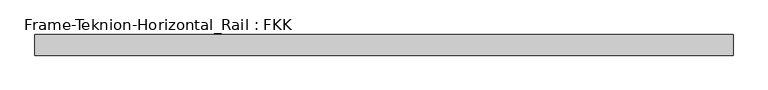
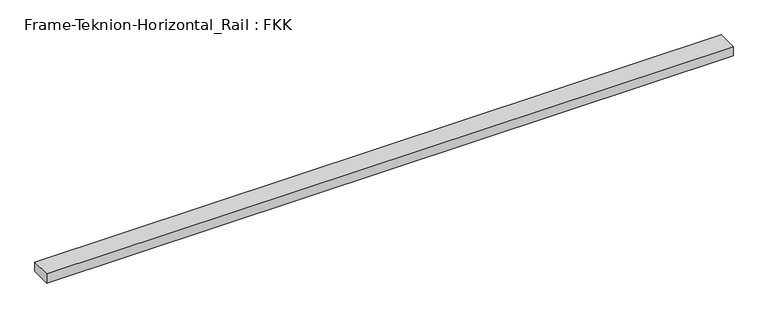
"""IFC4 building model written with IfcOpenShell, lengths in millimetres: proxy geometry, Frame-Teknion-Horizontal_Rail : FKK."""

from ifc_helpers import new_model, si_unit, frame, origin, place, context, project, spatial, polyline, outline, extrude, source, transform, mapped, element, save


def frame_teknion_horizontal_rail_fkk_5c7bcb91(model_context):
    return source(origin(), model_context, "Body", "SweptSolid", [
        extrude(outline(polyline([(-989.3101562, -29.2199219), (-989.3101562, 29.2199219), (989.3101563, 29.2199219), (989.3101563, -29.2199219), (-989.3101562, -29.2199219)])), frame((0.0, 0.0, -13.9898438), z_axis=(0.0, 0.0, 1.0), x_axis=(1.0, 0.0, 0.0)), (0.0, 0.0, 1.0), 27.9796875),
    ])


if __name__ == "__main__":
    model = new_model("IFC4")
    model_context = context("Model", 3, world=origin())
    ifc_project = project(units=[si_unit("LENGTHUNIT", "METRE", prefix="MILLI")], contexts=[model_context])
    site = spatial("IfcSite", under=ifc_project)
    building = spatial("IfcBuilding", under=site)
    placement = place(None, origin())
    frame_teknion_horizontal_rail_fkk_shape = frame_teknion_horizontal_rail_fkk_5c7bcb91(model_context)
    element("IfcBuildingElementProxy", 1, Name="Frame-Teknion-Horizontal_Rail : FKK", ObjectType="Frame-Teknion-Horizontal_Rail : FKK", at=placement, inside=building, context=model_context, shape_type="MappedRepresentation", body=[
        mapped(frame_teknion_horizontal_rail_fkk_shape, transform((0.0, 0.0, 0.0), x_axis=(1.0, 0.0, 0.0), y_axis=(0.0, 1.0, 0.0), z_axis=(0.0, 0.0, 1.0))),
    ])
    save(model, "model.ifc")
